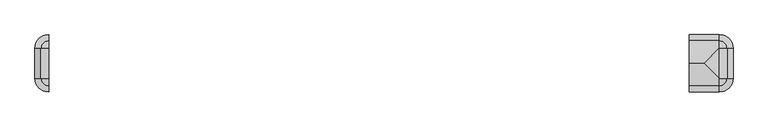
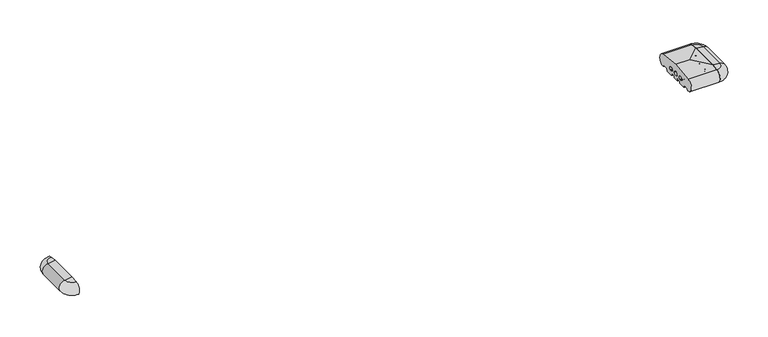
"""IFC4 building model written with IfcOpenShell, lengths in millimetres: proxy geometry."""

from ifc_helpers import new_model, si_unit, point, frame, origin, place, context, project, spatial, polyline, circle_curve, ellipse_curve, trimmed, source, transform, mapped, element, save
from ifc_brep_helpers import plane_surface, cylinder_surface, revolved_surface, advanced_brep


def generic_models_9a9f9188(model_context):
    return source(origin(), model_context, "Body", "AdvancedBrep", [
        advanced_brep(
        [(2378.0858073, 0.0, 50.4091909), (2350.0, 0.0, 53.7462575), (2350.0, -110.0, 53.7462575), (2378.0858073, -110.0, 50.4091909), (2350.0, 28.0858073, 50.4091909), (2350.0, 26.5981483, 2.5074549), (2350.0, 25.7072001, 3.0071443), (2350.0, 23.6905989, 6.5), (2350.0, 21.9585481, 7.5), (2350.0, 5.4848276, 7.5), (2350.0, 3.7527767, 6.5), (2350.0, 0.0, 0.0), (2350.0, -110.0, 0.0), (2350.0, -113.7527767, 6.5), (2350.0, -115.4848276, 7.5), (2350.0, -131.9585481, 7.5), (2350.0, -133.6905989, 6.5), (2350.0, -135.7072001, 3.0071443), (2350.0, -136.5981483, 2.5074549), (2350.0, -138.0858073, 50.4091909), (2353.7527767, 0.0, 6.5), (2353.7527767, -110.0, 6.5), (2355.4848276, 0.0, 7.5), (2355.4848276, -110.0, 7.5), (2371.9585481, 0.0, 7.5), (2371.9585481, -110.0, 7.5), (2373.6905989, 0.0, 6.5), (2373.6905989, -110.0, 6.5), (2375.7072001, 0.0, 3.0071443), (2375.7072001, -110.0, 3.0071443), (2376.5981483, 0.0, 2.5074549), (2376.5981483, -110.0, 2.5074549)],
        [
            (0, 1),
            (1, 2),
            (2, 3),
            (3, 0),
            (1, 4),
            (4, 5, circle_curve(frame((2350.0, 26.0, 26.5), z_axis=(-1.0, 0.0, 0.0), x_axis=(0.0, 1.0, 0.0)), 24.0)),
            (5, 6, circle_curve(frame((2350.0, 26.5732255, 3.5071443), z_axis=(-1.0, 0.0, 0.0), x_axis=(0.0, 1.0, 0.0)), 1.0)),
            (6, 7),
            (7, 8, circle_curve(frame((2350.0, 21.9585481, 5.5), z_axis=(1.0, 0.0, 0.0), x_axis=(0.0, 1.0, 0.0)), 2.0)),
            (8, 9),
            (9, 10, circle_curve(frame((2350.0, 5.4848276, 5.5), z_axis=(1.0, 0.0, 0.0), x_axis=(0.0, 1.0, 0.0)), 2.0)),
            (10, 11),
            (11, 12),
            (12, 13),
            (13, 14, circle_curve(frame((2350.0, -115.4848276, 5.5), z_axis=(1.0, 0.0, 0.0), x_axis=(0.0, -1.0, 0.0)), 2.0)),
            (14, 15),
            (15, 16, circle_curve(frame((2350.0, -131.9585481, 5.5), z_axis=(1.0, 0.0, 0.0), x_axis=(0.0, -1.0, 0.0)), 2.0)),
            (16, 17),
            (17, 18, circle_curve(frame((2350.0, -136.5732255, 3.5071443), z_axis=(-1.0, 0.0, 0.0), x_axis=(0.0, -1.0, 0.0)), 1.0)),
            (18, 19, circle_curve(frame((2350.0, -136.0, 26.5), z_axis=(-1.0, 0.0, 0.0), x_axis=(0.0, -1.0, 0.0)), 24.0)),
            (19, 2),
            (11, 20),
            (20, 21),
            (21, 12),
            (20, 22, circle_curve(frame((2355.4848276, 0.0, 5.5), z_axis=(0.0, 1.0, 0.0), x_axis=(1.0, 0.0, 0.0)), 2.0)),
            (22, 23),
            (23, 21, circle_curve(frame((2355.4848276, -110.0, 5.5), z_axis=(0.0, -1.0, 0.0), x_axis=(1.0, 0.0, 0.0)), 2.0)),
            (22, 9, circle_curve(frame((2350.0, 0.0, 7.5), z_axis=(0.0, 0.0, 1.0), x_axis=(1.0, 0.0, 0.0)), 5.4848276)),
            (8, 24, circle_curve(frame((2350.0, 0.0, 7.5), z_axis=(0.0, 0.0, -1.0), x_axis=(1.0, 0.0, 0.0)), 21.9585481)),
            (24, 25),
            (25, 15, circle_curve(frame((2350.0, -110.0, 7.5), z_axis=(0.0, 0.0, -1.0), x_axis=(1.0, 0.0, 0.0)), 21.9585481)),
            (14, 23, circle_curve(frame((2350.0, -110.0, 7.5), z_axis=(0.0, 0.0, 1.0), x_axis=(1.0, 0.0, 0.0)), 5.4848276)),
            (24, 26, circle_curve(frame((2371.9585481, 0.0, 5.5), z_axis=(0.0, 1.0, 0.0), x_axis=(1.0, 0.0, 0.0)), 2.0)),
            (26, 27),
            (27, 25, circle_curve(frame((2371.9585481, -110.0, 5.5), z_axis=(0.0, -1.0, 0.0), x_axis=(1.0, 0.0, 0.0)), 2.0)),
            (26, 28),
            (28, 29),
            (29, 27),
            (28, 30, circle_curve(frame((2376.5732255, 0.0, 3.5071443), z_axis=(0.0, -1.0, 0.0), x_axis=(1.0, 0.0, 0.0)), 1.0)),
            (30, 31),
            (31, 29, circle_curve(frame((2376.5732255, -110.0, 3.5071443), z_axis=(0.0, 1.0, 0.0), x_axis=(1.0, 0.0, 0.0)), 1.0)),
            (3, 31, circle_curve(frame((2376.0, -110.0, 26.5), z_axis=(0.0, 1.0, 0.0), x_axis=(1.0, 0.0, 0.0)), 24.0)),
            (30, 0, circle_curve(frame((2376.0, 0.0, 26.5), z_axis=(0.0, -1.0, 0.0), x_axis=(1.0, 0.0, 0.0)), 24.0)),
            (4, 0, circle_curve(frame((2350.0, 0.0, 50.4091909), z_axis=(0.0, 0.0, -1.0), x_axis=(1.0, 0.0, 0.0)), 28.0858073)),
            (30, 5, circle_curve(frame((2350.0, 0.0, 2.5074549), z_axis=(0.0, 0.0, 1.0), x_axis=(1.0, 0.0, 0.0)), 26.5981483)),
            (28, 6, circle_curve(frame((2350.0, 0.0, 3.0071443), z_axis=(0.0, 0.0, 1.0), x_axis=(1.0, 0.0, 0.0)), 25.7072001)),
            (26, 7, circle_curve(frame((2350.0, 0.0, 6.5), z_axis=(0.0, 0.0, 1.0), x_axis=(1.0, 0.0, 0.0)), 23.6905989)),
            (20, 10, circle_curve(frame((2350.0, 0.0, 6.5), z_axis=(0.0, 0.0, 1.0), x_axis=(1.0, 0.0, 0.0)), 3.7527767)),
            (18, 31, circle_curve(frame((2350.0, -110.0, 2.5074549), z_axis=(0.0, 0.0, 1.0), x_axis=(1.0, 0.0, 0.0)), 26.5981483)),
            (3, 19, circle_curve(frame((2350.0, -110.0, 50.4091909), z_axis=(0.0, 0.0, -1.0), x_axis=(1.0, 0.0, 0.0)), 28.0858073)),
            (17, 29, circle_curve(frame((2350.0, -110.0, 3.0071443), z_axis=(0.0, 0.0, 1.0), x_axis=(1.0, 0.0, 0.0)), 25.7072001)),
            (16, 27, circle_curve(frame((2350.0, -110.0, 6.5), z_axis=(0.0, 0.0, 1.0), x_axis=(1.0, 0.0, 0.0)), 23.6905989)),
            (13, 21, circle_curve(frame((2350.0, -110.0, 6.5), z_axis=(0.0, 0.0, 1.0), x_axis=(1.0, 0.0, 0.0)), 3.7527767)),
        ],
        [
            plane_surface(frame((2378.0858073, 0.0, 50.4091909), z_axis=(0.11798691299107415, 0.0, 0.9930151501174778), x_axis=(0.0, -1.0, 0.0))),
            plane_surface(frame((2350.0, 0.0, 53.7462575), z_axis=(-1.0, 0.0, 0.0), x_axis=(0.0, -1.0, 0.0))),
            plane_surface(frame((2350.0, 0.0, 0.0), z_axis=(0.8660254037844363, 0.0, -0.5000000000000042), x_axis=(0.0, -1.0, 0.0))),
            revolved_surface(polyline([(2357.4848276, -110.0, 5.5), (2357.4848276, 0.0, 5.5)]), (2355.4848276, 0.0, 5.5), (0.0, -1.0, 0.0)),
            plane_surface(frame((2355.4848276, 0.0, 7.5), z_axis=(0.0, 0.0, -1.0), x_axis=(0.0, -1.0, 0.0))),
            revolved_surface(polyline([(2373.9585481, -110.0, 5.5), (2373.9585481, 0.0, 5.5)]), (2371.9585481, 0.0, 5.5), (0.0, -1.0, 0.0)),
            plane_surface(frame((2373.6905989, 0.0, 6.5), z_axis=(-0.8660254037844392, 0.0, -0.4999999999999992), x_axis=(0.0, -1.0, 0.0))),
            cylinder_surface(frame((2376.5732255, 0.0, 3.5071443), z_axis=(0.0, 1.0, 0.0), x_axis=(1.0, 0.0, 0.0)), 1.0),
            cylinder_surface(frame((2376.0, 0.0, 26.5), z_axis=(0.0, 1.0, 0.0), x_axis=(1.0, 0.0, 0.0)), 24.0),
            revolved_surface(trimmed(ellipse_curve(frame((2376.0, 0.0, 26.5), z_axis=(0.0, -1.0, 0.0), x_axis=(1.0, 0.0, 0.0)), 24.0, 24.0), [point((2376.5981483, 0.0, 2.5074549))], [point((2378.0858073, 0.0, 50.4091909))], True, "CARTESIAN"), (2350.0, 0.0, 0.0), (0.0, 0.0, 1.0)),
            revolved_surface(trimmed(ellipse_curve(frame((2376.5732255, 0.0, 3.5071443), z_axis=(0.0, -1.0, 0.0), x_axis=(1.0, 0.0, 0.0)), 1.0, 1.0), [point((2375.7072001, 0.0, 3.0071443))], [point((2376.5981483, 0.0, 2.5074549))], True, "CARTESIAN"), (2350.0, 0.0, 0.0), (0.0, 0.0, 1.0)),
            revolved_surface(polyline([(2373.6905989, 0.0, 6.5), (2375.7072001, 0.0, 3.0071443)]), (2350.0, 0.0, 0.0), (0.0, 0.0, 1.0)),
            revolved_surface(trimmed(ellipse_curve(frame((2371.9585481, 0.0, 5.5), z_axis=(0.0, 1.0, 0.0), x_axis=(1.0, 0.0, 0.0)), 2.0, 2.0), [point((2371.9585481, 0.0, 7.5))], [point((2373.6905989, 0.0, 6.5))], True, "CARTESIAN"), (2350.0, 0.0, 0.0), (0.0, 0.0, 1.0)),
            revolved_surface(trimmed(ellipse_curve(frame((2355.4848276, 0.0, 5.5), z_axis=(0.0, 1.0, 0.0), x_axis=(1.0, 0.0, 0.0)), 2.0, 2.0), [point((2353.7527767, 0.0, 6.5))], [point((2355.4848276, 0.0, 7.5))], True, "CARTESIAN"), (2350.0, 0.0, 0.0), (0.0, 0.0, 1.0)),
            revolved_surface(polyline([(2350.0, 0.0, 0.0), (2353.7527767, 0.0, 6.5)]), (2350.0, 0.0, 0.0), (0.0, 0.0, 1.0)),
            revolved_surface(polyline([(2378.0858073, 0.0, 50.4091909), (2350.0, 0.0, 53.7462575)]), (2350.0, 0.0, 0.0), (0.0, 0.0, 1.0)),
            revolved_surface(trimmed(ellipse_curve(frame((2376.0, -110.0, 26.5), z_axis=(0.0, 1.0, 0.0), x_axis=(1.0, 0.0, 0.0)), 24.0, 24.0), [point((2378.0858073, -110.0, 50.4091909))], [point((2376.5981483, -110.0, 2.5074549))], True, "CARTESIAN"), (2350.0, -110.0, 0.0), (0.0, 0.0, -1.0)),
            revolved_surface(trimmed(ellipse_curve(frame((2376.5732255, -110.0, 3.5071443), z_axis=(0.0, 1.0, 0.0), x_axis=(1.0, 0.0, 0.0)), 1.0, 1.0), [point((2376.5981483, -110.0, 2.5074549))], [point((2375.7072001, -110.0, 3.0071443))], True, "CARTESIAN"), (2350.0, -110.0, 0.0), (0.0, 0.0, -1.0)),
            revolved_surface(polyline([(2375.7072001, -110.0, 3.0071443), (2373.6905989, -110.0, 6.5)]), (2350.0, -110.0, 0.0), (0.0, 0.0, -1.0)),
            revolved_surface(trimmed(ellipse_curve(frame((2371.9585481, -110.0, 5.5), z_axis=(0.0, -1.0, 0.0), x_axis=(1.0, 0.0, 0.0)), 2.0, 2.0), [point((2373.6905989, -110.0, 6.5))], [point((2371.9585481, -110.0, 7.5))], True, "CARTESIAN"), (2350.0, -110.0, 0.0), (0.0, 0.0, -1.0)),
            revolved_surface(trimmed(ellipse_curve(frame((2355.4848276, -110.0, 5.5), z_axis=(0.0, -1.0, 0.0), x_axis=(1.0, 0.0, 0.0)), 2.0, 2.0), [point((2355.4848276, -110.0, 7.5))], [point((2353.7527767, -110.0, 6.5))], True, "CARTESIAN"), (2350.0, -110.0, 0.0), (0.0, 0.0, -1.0)),
            revolved_surface(polyline([(2353.7527767, -110.0, 6.5), (2350.0, -110.0, 0.0)]), (2350.0, -110.0, 0.0), (0.0, 0.0, -1.0)),
            revolved_surface(polyline([(2350.0, -110.0, 53.7462575), (2378.0858073, -110.0, 50.4091909)]), (2350.0, -110.0, 0.0), (0.0, 0.0, -1.0)),
        ],
        [
            (0, [[1, 2, 3, 4]]),
            (1, [[5, 6, 7, 8, 9, 10, 11, 12, 13, 14, 15, 16, 17, 18, 19, 20, 21, -2]]),
            (2, [[22, 23, 24, -13]]),
            (3, [[25, 26, 27, -23]]),
            (4, [[28, -10, 29, 30, 31, -16, 32, -26]]),
            (5, [[33, 34, 35, -30]]),
            (6, [[36, 37, 38, -34]]),
            (7, [[39, 40, 41, -37]]),
            (8, [[42, -40, 43, -4]]),
            (9, [[44, -43, 45, -6]]),
            (10, [[-45, -39, 46, -7]]),
            (11, [[-46, -36, 47, -8]]),
            (12, [[-47, -33, -29, -9]]),
            (13, [[-28, -25, 48, -11]]),
            (14, [[-48, -22, -12]]),
            (15, [[-1, -44, -5]]),
            (16, [[49, -42, 50, -20]]),
            (17, [[51, -41, -49, -19]]),
            (18, [[52, -38, -51, -18]]),
            (19, [[-31, -35, -52, -17]]),
            (20, [[53, -27, -32, -15]]),
            (21, [[-24, -53, -14]]),
            (22, [[-50, -3, -21]]),
        ],
    ),
        advanced_brep(
        [(2350.0, -136.5981483, 2.5074549), (2350.0, -135.7072001, 3.0071443), (2350.0, -133.6905989, 6.5), (2350.0, -131.9585481, 7.5), (2350.0, -115.4848276, 7.5), (2350.0, -113.7527767, 6.5), (2350.0, -110.2886751, 0.5), (2350.0, -109.4226497, 0.0), (2350.0, -83.0, 0.0), (2350.0, -82.0, 1.0), (2350.0, -82.0, 7.0), (2350.0, -80.0, 9.0), (2350.0, -67.0, 9.0), (2350.0, -65.0, 7.0), (2350.0, -65.0, 1.0), (2350.0, -64.0, 0.0), (2350.0, -46.0, 0.0), (2350.0, -45.0, 1.0), (2350.0, -45.0, 7.0), (2350.0, -43.0, 9.0), (2350.0, -30.0, 9.0), (2350.0, -28.0, 7.0), (2350.0, -28.0, 1.0), (2350.0, -27.0, 0.0), (2350.0, -0.5773503, 0.0), (2350.0, 0.2886751, 0.5), (2350.0, 3.7527767, 6.5), (2350.0, 5.4848276, 7.5), (2350.0, 21.9585481, 7.5), (2350.0, 23.6905989, 6.5), (2350.0, 25.7072001, 3.0071443), (2350.0, 26.5981483, 2.5074549), (2350.0, 28.0858073, 50.4091909), (2350.0, 0.3340136, 53.7462575), (2350.0, -110.3340136, 53.7462575), (2350.0, -138.0858073, 50.4091909), (2350.0, -84.3659949, 17.8353497), (2350.0, -87.6340051, 17.8353497), (2350.0, -87.6340051, 29.8353497), (2350.0, -84.3659949, 29.8353497), (2350.0, -62.9623451, 23.8353497), (2350.0, -47.0376549, 23.8353497), (2350.0, -25.6340051, 17.8353497), (2350.0, -25.6340051, 29.8353497), (2350.0, -22.3659949, 29.8353497), (2350.0, -22.3659949, 17.8353497), (2240.0, -136.5981483, 2.5074549), (2240.0, -138.0858073, 50.4091909), (2240.0, -55.0, 60.4), (2240.0, 28.0858073, 50.4091909), (2240.0, 26.5981483, 2.5074549), (2240.0, 25.7072001, 3.0071443), (2240.0, 23.6905989, 6.5), (2240.0, 21.9585481, 7.5), (2240.0, 5.4848276, 7.5), (2240.0, 3.7527767, 6.5), (2240.0, 0.2886751, 0.5), (2240.0, -0.5773503, 0.0), (2240.0, -27.0, 0.0), (2240.0, -28.0, 1.0), (2240.0, -28.0, 7.0), (2240.0, -30.0, 9.0), (2240.0, -43.0, 9.0), (2240.0, -45.0, 7.0), (2240.0, -45.0, 1.0), (2240.0, -46.0, 0.0), (2240.0, -64.0, 0.0), (2240.0, -65.0, 1.0), (2240.0, -65.0, 7.0), (2240.0, -67.0, 9.0), (2240.0, -80.0, 9.0), (2240.0, -82.0, 7.0), (2240.0, -82.0, 1.0), (2240.0, -83.0, 0.0), (2240.0, -109.4226497, 0.0), (2240.0, -110.2886751, 0.5), (2240.0, -113.7527767, 6.5), (2240.0, -115.4848276, 7.5), (2240.0, -131.9585481, 7.5), (2240.0, -133.6905989, 6.5), (2240.0, -135.7072001, 3.0071443), (2240.0, -84.3659949, 17.8353497), (2240.0, -84.3659949, 29.8353497), (2240.0, -87.6340051, 29.8353497), (2240.0, -87.6340051, 17.8353497), (2240.0, -62.9623451, 23.8353497), (2240.0, -47.0376549, 23.8353497), (2240.0, -25.6340051, 17.8353497), (2240.0, -22.3659949, 17.8353497), (2240.0, -22.3659949, 29.8353497), (2240.0, -25.6340051, 29.8353497), (2294.0, -55.0, 60.4)],
        [
            (0, 1, circle_curve(frame((2350.0, -136.5732255, 3.5071443), z_axis=(1.0, 0.0, 0.0), x_axis=(0.0, -0.024922847684081085, -0.999689377588517)), 1.0)),
            (1, 2),
            (2, 3, circle_curve(frame((2350.0, -131.9585481, 5.5), z_axis=(-1.0, 0.0, 0.0), x_axis=(0.0, -0.8660254037844379, 0.5000000000000012)), 2.0)),
            (3, 4),
            (4, 5, circle_curve(frame((2350.0, -115.4848276, 5.5), z_axis=(-1.0, 0.0, 0.0), x_axis=(0.0, 0.0, 1.0)), 2.0)),
            (5, 6),
            (6, 7, circle_curve(frame((2350.0, -109.4226497, 1.0), z_axis=(1.0, 0.0, 0.0), x_axis=(0.0, -0.8660254037844339, -0.5000000000000082)), 1.0)),
            (7, 8),
            (8, 9, circle_curve(frame((2350.0, -83.0, 1.0), z_axis=(1.0, 0.0, 0.0), x_axis=(0.0, 0.0, -1.0)), 1.0)),
            (9, 10),
            (10, 11, circle_curve(frame((2350.0, -80.0, 7.0), z_axis=(-1.0, 0.0, 0.0), x_axis=(0.0, -1.0, 0.0)), 2.0)),
            (11, 12),
            (12, 13, circle_curve(frame((2350.0, -67.0, 7.0), z_axis=(-1.0, 0.0, 0.0), x_axis=(0.0, 0.0, 1.0)), 2.0)),
            (13, 14),
            (14, 15, circle_curve(frame((2350.0, -64.0, 1.0), z_axis=(1.0, 0.0, 0.0), x_axis=(0.0, -1.0, 0.0)), 1.0)),
            (15, 16),
            (16, 17, circle_curve(frame((2350.0, -46.0, 1.0), z_axis=(1.0, 0.0, 0.0), x_axis=(0.0, 1.0, 0.0)), 1.0)),
            (17, 18),
            (18, 19, circle_curve(frame((2350.0, -43.0, 7.0), z_axis=(-1.0, 0.0, 0.0), x_axis=(0.0, 0.0, 1.0)), 2.0)),
            (19, 20),
            (20, 21, circle_curve(frame((2350.0, -30.0, 7.0), z_axis=(-1.0, 0.0, 0.0), x_axis=(0.0, 1.0, 0.0)), 2.0)),
            (21, 22),
            (22, 23, circle_curve(frame((2350.0, -27.0, 1.0), z_axis=(1.0, 0.0, 0.0), x_axis=(0.0, 0.0, -1.0)), 1.0)),
            (23, 24),
            (24, 25, circle_curve(frame((2350.0, -0.5773503, 1.0), z_axis=(1.0, 0.0, 0.0), x_axis=(0.0, 0.8660254037844339, -0.5000000000000082)), 1.0)),
            (25, 26),
            (26, 27, circle_curve(frame((2350.0, 5.4848276, 5.5), z_axis=(-1.0, 0.0, 0.0), x_axis=(0.0, 0.0, 1.0)), 2.0)),
            (27, 28),
            (28, 29, circle_curve(frame((2350.0, 21.9585481, 5.5), z_axis=(-1.0, 0.0, 0.0), x_axis=(0.0, 0.8660254037844379, 0.5000000000000012)), 2.0)),
            (29, 30),
            (30, 31, circle_curve(frame((2350.0, 26.5732255, 3.5071443), z_axis=(1.0, 0.0, 0.0), x_axis=(0.0, 0.024922847684081085, -0.999689377588517)), 1.0)),
            (31, 32, circle_curve(frame((2350.0, 26.0, 26.5), z_axis=(1.0, 0.0, 0.0), x_axis=(0.0, 0.08690863944627836, 0.9962162859487877)), 24.0)),
            (32, 33),
            (33, 34),
            (34, 35),
            (35, 0, circle_curve(frame((2350.0, -136.0, 26.5), z_axis=(1.0, 0.0, 0.0), x_axis=(0.0, -0.08690863944627836, 0.9962162859487877)), 24.0)),
            (36, 37),
            (37, 38, circle_curve(frame((2350.0, -88.0037949, 23.8353497), z_axis=(-1.0, 0.0, 0.0), x_axis=(0.0, 0.061514911664663253, -0.9981061645150223)), 6.0113846)),
            (38, 39),
            (39, 36, circle_curve(frame((2350.0, -83.9962051, 23.8353497), z_axis=(-1.0, 0.0, 0.0), x_axis=(0.0, -0.061514911664729485, 0.9981061645150182)), 6.0113846)),
            (40, 41, circle_curve(frame((2350.0, -55.0, 23.8353497), z_axis=(-1.0, 0.0, 0.0), x_axis=(0.0, 1.0, 0.0)), 7.9623451)),
            (41, 40, circle_curve(frame((2350.0, -55.0, 23.8353497), z_axis=(-1.0, 0.0, 0.0), x_axis=(0.0, 1.0, 0.0)), 7.9623451)),
            (42, 43, circle_curve(frame((2350.0, -26.0037949, 23.8353497), z_axis=(-1.0, 0.0, 0.0), x_axis=(0.0, 0.061514911664729485, 0.9981061645150182)), 6.0113846)),
            (43, 44),
            (44, 45, circle_curve(frame((2350.0, -21.9962051, 23.8353497), z_axis=(-1.0, 0.0, 0.0), x_axis=(0.0, -0.061514911664663253, -0.9981061645150223)), 6.0113846)),
            (45, 42),
            (46, 47, circle_curve(frame((2240.0, -136.0, 26.5), z_axis=(-1.0, 0.0, 0.0), x_axis=(0.0, -0.08690863944627836, 0.9962162859487877)), 24.0)),
            (47, 48),
            (48, 49),
            (49, 50, circle_curve(frame((2240.0, 26.0, 26.5), z_axis=(-1.0, 0.0, 0.0), x_axis=(0.0, 0.08690863944627836, 0.9962162859487877)), 24.0)),
            (50, 51, circle_curve(frame((2240.0, 26.5732255, 3.5071443), z_axis=(-1.0, 0.0, 0.0), x_axis=(0.0, 0.024922847684081085, -0.999689377588517)), 1.0)),
            (51, 52),
            (52, 53, circle_curve(frame((2240.0, 21.9585481, 5.5), z_axis=(1.0, 0.0, 0.0), x_axis=(0.0, 0.8660254037844379, 0.5000000000000012)), 2.0)),
            (53, 54),
            (54, 55, circle_curve(frame((2240.0, 5.4848276, 5.5), z_axis=(1.0, 0.0, 0.0), x_axis=(0.0, 0.0, 1.0)), 2.0)),
            (55, 56),
            (56, 57, circle_curve(frame((2240.0, -0.5773503, 1.0), z_axis=(-1.0, 0.0, 0.0), x_axis=(0.0, 0.8660254037844339, -0.5000000000000082)), 1.0)),
            (57, 58),
            (58, 59, circle_curve(frame((2240.0, -27.0, 1.0), z_axis=(-1.0, 0.0, 0.0), x_axis=(0.0, 0.0, -1.0)), 1.0)),
            (59, 60),
            (60, 61, circle_curve(frame((2240.0, -30.0, 7.0), z_axis=(1.0, 0.0, 0.0), x_axis=(0.0, 1.0, 0.0)), 2.0)),
            (61, 62),
            (62, 63, circle_curve(frame((2240.0, -43.0, 7.0), z_axis=(1.0, 0.0, 0.0), x_axis=(0.0, 0.0, 1.0)), 2.0)),
            (63, 64),
            (64, 65, circle_curve(frame((2240.0, -46.0, 1.0), z_axis=(-1.0, 0.0, 0.0), x_axis=(0.0, 1.0, 0.0)), 1.0)),
            (65, 66),
            (66, 67, circle_curve(frame((2240.0, -64.0, 1.0), z_axis=(-1.0, 0.0, 0.0), x_axis=(0.0, -1.0, 0.0)), 1.0)),
            (67, 68),
            (68, 69, circle_curve(frame((2240.0, -67.0, 7.0), z_axis=(1.0, 0.0, 0.0), x_axis=(0.0, 0.0, 1.0)), 2.0)),
            (69, 70),
            (70, 71, circle_curve(frame((2240.0, -80.0, 7.0), z_axis=(1.0, 0.0, 0.0), x_axis=(0.0, -1.0, 0.0)), 2.0)),
            (71, 72),
            (72, 73, circle_curve(frame((2240.0, -83.0, 1.0), z_axis=(-1.0, 0.0, 0.0), x_axis=(0.0, 0.0, -1.0)), 1.0)),
            (73, 74),
            (74, 75, circle_curve(frame((2240.0, -109.4226497, 1.0), z_axis=(-1.0, 0.0, 0.0), x_axis=(0.0, -0.8660254037844339, -0.5000000000000082)), 1.0)),
            (75, 76),
            (76, 77, circle_curve(frame((2240.0, -115.4848276, 5.5), z_axis=(1.0, 0.0, 0.0), x_axis=(0.0, 0.0, 1.0)), 2.0)),
            (77, 78),
            (78, 79, circle_curve(frame((2240.0, -131.9585481, 5.5), z_axis=(1.0, 0.0, 0.0), x_axis=(0.0, -0.8660254037844379, 0.5000000000000012)), 2.0)),
            (79, 80),
            (80, 46, circle_curve(frame((2240.0, -136.5732255, 3.5071443), z_axis=(-1.0, 0.0, 0.0), x_axis=(0.0, -0.024922847684081085, -0.999689377588517)), 1.0)),
            (81, 82, circle_curve(frame((2240.0, -83.9962051, 23.8353497), z_axis=(1.0, 0.0, 0.0), x_axis=(0.0, -0.061514911664729485, 0.9981061645150182)), 6.0113846)),
            (82, 83),
            (83, 84, circle_curve(frame((2240.0, -88.0037949, 23.8353497), z_axis=(1.0, 0.0, 0.0), x_axis=(0.0, 0.061514911664663253, -0.9981061645150223)), 6.0113846)),
            (84, 81),
            (85, 86, circle_curve(frame((2240.0, -55.0, 23.8353497), z_axis=(1.0, 0.0, 0.0), x_axis=(0.0, 1.0, 0.0)), 7.9623451)),
            (86, 85, circle_curve(frame((2240.0, -55.0, 23.8353497), z_axis=(1.0, 0.0, 0.0), x_axis=(0.0, 1.0, 0.0)), 7.9623451)),
            (87, 88),
            (88, 89, circle_curve(frame((2240.0, -21.9962051, 23.8353497), z_axis=(1.0, 0.0, 0.0), x_axis=(0.0, -0.061514911664663253, -0.9981061645150223)), 6.0113846)),
            (89, 90),
            (90, 87, circle_curve(frame((2240.0, -26.0037949, 23.8353497), z_axis=(1.0, 0.0, 0.0), x_axis=(0.0, 0.061514911664729485, 0.9981061645150182)), 6.0113846)),
            (15, 66),
            (65, 16),
            (14, 67),
            (13, 68),
            (12, 69),
            (11, 70),
            (10, 71),
            (9, 72),
            (8, 73),
            (7, 74),
            (6, 75),
            (5, 76),
            (4, 77),
            (3, 78),
            (2, 79),
            (1, 80),
            (0, 46),
            (35, 47),
            (34, 91),
            (91, 48),
            (39, 82),
            (81, 36),
            (38, 83),
            (37, 84),
            (41, 86),
            (85, 40),
            (33, 91),
            (32, 49),
            (31, 50),
            (30, 51),
            (29, 52),
            (28, 53),
            (27, 54),
            (26, 55),
            (25, 56),
            (24, 57),
            (23, 58),
            (22, 59),
            (21, 60),
            (20, 61),
            (19, 62),
            (18, 63),
            (17, 64),
            (45, 88),
            (87, 42),
            (44, 89),
            (43, 90),
        ],
        [
            plane_surface(frame((2350.0, 0.0, 0.0), z_axis=(1.0, 0.0, 0.0), x_axis=(0.0, 0.0, 1.0))),
            plane_surface(frame((2240.0, 0.0, 0.0), z_axis=(-1.0, 0.0, 0.0), x_axis=(0.0, 0.0, 1.0))),
            plane_surface(frame((2350.0, -55.0, 0.0), z_axis=(0.0, 0.0, -1.0), x_axis=(-1.0, 0.0, 0.0))),
            cylinder_surface(frame((2350.0, -64.0, 1.0), z_axis=(1.0, 0.0, 0.0), x_axis=(0.0, -1.0, 0.0)), 1.0),
            plane_surface(frame((2350.0, -65.0, 1.0), z_axis=(0.0, -1.0, 0.0), x_axis=(-1.0, 0.0, 0.0))),
            revolved_surface(polyline([(2240.0, -67.0, 9.0), (2350.0, -67.0, 9.0)]), (2350.0, -67.0, 7.0), (-1.0, 0.0, 0.0)),
            plane_surface(frame((2350.0, -67.0, 9.0), z_axis=(0.0, 0.0, -1.0), x_axis=(-1.0, 0.0, 0.0))),
            revolved_surface(polyline([(2240.0, -82.0, 7.0), (2350.0, -82.0, 7.0)]), (2350.0, -80.0, 7.0), (-1.0, 0.0, 0.0)),
            plane_surface(frame((2350.0, -82.0, 7.0), z_axis=(0.0, 1.0, 0.0), x_axis=(-1.0, 0.0, 0.0))),
            cylinder_surface(frame((2350.0, -83.0, 1.0), z_axis=(1.0, 0.0, 0.0), x_axis=(0.0, 0.0, -1.0)), 1.0),
            plane_surface(frame((2350.0, -83.0, 0.0), z_axis=(0.0, 0.0, -1.0), x_axis=(-1.0, 0.0, 0.0))),
            cylinder_surface(frame((2350.0, -109.4226497, 1.0), z_axis=(1.0, 0.0, 0.0), x_axis=(0.0, -0.8660254037844339, -0.5000000000000082)), 1.0),
            plane_surface(frame((2350.0, -110.2886751, 0.5), z_axis=(0.0, -0.8660254037844349, -0.5000000000000064), x_axis=(-1.0, 0.0, 0.0))),
            revolved_surface(polyline([(2240.0, -115.4848276, 7.5), (2350.0, -115.4848276, 7.5)]), (2350.0, -115.4848276, 5.5), (-1.0, 0.0, 0.0)),
            plane_surface(frame((2350.0, -115.4848276, 7.5), z_axis=(0.0, 0.0, -1.0), x_axis=(-1.0, 0.0, 0.0))),
            revolved_surface(polyline([(2240.0, -133.69059890756887, 6.500000000000003), (2350.0, -133.69059890756887, 6.500000000000003)]), (2350.0, -131.9585481, 5.5), (-1.0, 0.0, 0.0)),
            plane_surface(frame((2350.0, -133.6905989, 6.5), z_axis=(0.0, 0.8660254037844368, -0.5000000000000032), x_axis=(-1.0, 0.0, 0.0))),
            cylinder_surface(frame((2350.0, -136.5732255, 3.5071443), z_axis=(1.0000000000000002, 0.0, 0.0), x_axis=(0.0, -0.024922847684081085, -0.999689377588517)), 1.0),
            cylinder_surface(frame((2350.0, -136.0, 26.5), z_axis=(1.0, 0.0, 0.0), x_axis=(0.0, -0.08690863944627836, 0.9962162859487877)), 24.0),
            plane_surface(frame((2350.0, -138.0858073, 50.4091909), z_axis=(0.0, -0.11938685218914781, 0.9928478128718251), x_axis=(-1.0, 0.0, 0.0))),
            revolved_surface(polyline([(2240.0, -84.36599489265171, 29.835349726530644), (2350.0, -84.36599489265171, 29.835349726530644)]), (2350.0, -83.9962051, 23.8353497), (-1.0, 0.0, 0.0)),
            plane_surface(frame((2350.0, -84.3659949, 29.8353497), z_axis=(0.0, 0.0, -1.0), x_axis=(-1.0, 0.0, 0.0))),
            revolved_surface(polyline([(2240.0, -87.63400510734868, 17.835349673469327), (2350.0, -87.63400510734868, 17.835349673469327)]), (2350.0, -88.0037949, 23.8353497), (-1.0000000000000002, 0.0, 0.0)),
            plane_surface(frame((2350.0, -87.6340051, 17.8353497), z_axis=(0.0, 0.0, 1.0), x_axis=(-1.0, 0.0, 0.0))),
            revolved_surface(polyline([(2240.0, -47.0376549, 23.8353497), (2350.0, -47.0376549, 23.8353497)]), (2350.0, -55.0, 23.8353497), (-1.0, 0.0, 0.0)),
            plane_surface(frame((2414.9291446, -250.0, 46.0315823), z_axis=(0.11798691299107414, 0.0, 0.9930151501174778), x_axis=(0.0, 1.0, 0.0))),
            plane_surface(frame((2350.0, -55.0, 60.4), z_axis=(0.0, 0.11938685218914852, 0.992847812871825), x_axis=(-1.0, 0.0, 0.0))),
            cylinder_surface(frame((2350.0, 26.0, 26.5), z_axis=(1.0, 0.0, 0.0), x_axis=(0.0, 0.08690863944627836, 0.9962162859487877)), 24.0),
            cylinder_surface(frame((2350.0, 26.5732255, 3.5071443), z_axis=(1.0000000000000002, 0.0, 0.0), x_axis=(0.0, 0.024922847684081085, -0.999689377588517)), 1.0),
            plane_surface(frame((2350.0, 25.7072001, 3.0071443), z_axis=(0.0, -0.8660254037844368, -0.5000000000000032), x_axis=(-1.0, 0.0, 0.0))),
            revolved_surface(polyline([(2240.0, 23.690598907568877, 6.500000000000003), (2350.0, 23.690598907568877, 6.500000000000003)]), (2350.0, 21.9585481, 5.5), (-1.0, 0.0, 0.0)),
            plane_surface(frame((2350.0, 21.9585481, 7.5), z_axis=(0.0, 0.0, -1.0), x_axis=(-1.0, 0.0, 0.0))),
            revolved_surface(polyline([(2240.0, 5.4848276, 7.5), (2350.0, 5.4848276, 7.5)]), (2350.0, 5.4848276, 5.5), (-1.0, 0.0, 0.0)),
            plane_surface(frame((2350.0, 3.7527767, 6.5), z_axis=(0.0, 0.8660254037844349, -0.5000000000000064), x_axis=(-1.0, 0.0, 0.0))),
            cylinder_surface(frame((2350.0, -0.5773503, 1.0), z_axis=(1.0, 0.0, 0.0), x_axis=(0.0, 0.8660254037844339, -0.5000000000000082)), 1.0),
            plane_surface(frame((2350.0, -0.5773503, 0.0), z_axis=(0.0, 0.0, -1.0), x_axis=(-1.0, 0.0, 0.0))),
            cylinder_surface(frame((2350.0, -27.0, 1.0), z_axis=(1.0, 0.0, 0.0), x_axis=(0.0, 0.0, -1.0)), 1.0),
            plane_surface(frame((2350.0, -28.0, 1.0), z_axis=(0.0, -1.0, 0.0), x_axis=(-1.0, 0.0, 0.0))),
            revolved_surface(polyline([(2240.0, -28.0, 7.0), (2350.0, -28.0, 7.0)]), (2350.0, -30.0, 7.0), (-1.0, 0.0, 0.0)),
            plane_surface(frame((2350.0, -30.0, 9.0), z_axis=(0.0, 0.0, -1.0), x_axis=(-1.0, 0.0, 0.0))),
            revolved_surface(polyline([(2240.0, -43.0, 9.0), (2350.0, -43.0, 9.0)]), (2350.0, -43.0, 7.0), (-1.0, 0.0, 0.0)),
            plane_surface(frame((2350.0, -45.0, 7.0), z_axis=(0.0, 1.0, 0.0), x_axis=(-1.0, 0.0, 0.0))),
            cylinder_surface(frame((2350.0, -46.0, 1.0), z_axis=(1.0, 0.0, 0.0), x_axis=(0.0, 1.0, 0.0)), 1.0),
            plane_surface(frame((2350.0, -25.6340051, 17.8353497), z_axis=(0.0, 0.0, 1.0), x_axis=(-1.0, 0.0, 0.0))),
            revolved_surface(polyline([(2240.0, -22.36599489265132, 17.835349673469327), (2350.0, -22.36599489265132, 17.835349673469327)]), (2350.0, -21.9962051, 23.8353497), (-1.0000000000000002, 0.0, 0.0)),
            plane_surface(frame((2350.0, -22.3659949, 29.8353497), z_axis=(0.0, 0.0, -1.0), x_axis=(-1.0, 0.0, 0.0))),
            revolved_surface(polyline([(2240.0, -25.634005107348283, 29.835349726530644), (2350.0, -25.634005107348283, 29.835349726530644)]), (2350.0, -26.0037949, 23.8353497), (-1.0, 0.0, 0.0)),
        ],
        [
            (0, [[1, 2, 3, 4, 5, 6, 7, 8, 9, 10, 11, 12, 13, 14, 15, 16, 17, 18, 19, 20, 21, 22, 23, 24, 25, 26, 27, 28, 29, 30, 31, 32, 33, 34, 35, 36], [37, 38, 39, 40], [41, 42], [43, 44, 45, 46]]),
            (1, [[47, 48, 49, 50, 51, 52, 53, 54, 55, 56, 57, 58, 59, 60, 61, 62, 63, 64, 65, 66, 67, 68, 69, 70, 71, 72, 73, 74, 75, 76, 77, 78, 79, 80, 81], [82, 83, 84, 85], [86, 87], [88, 89, 90, 91]]),
            (2, [[92, -66, 93, -16]]),
            (3, [[94, -67, -92, -15]]),
            (4, [[95, -68, -94, -14]]),
            (5, [[96, -69, -95, -13]]),
            (6, [[97, -70, -96, -12]]),
            (7, [[98, -71, -97, -11]]),
            (8, [[99, -72, -98, -10]]),
            (9, [[100, -73, -99, -9]]),
            (10, [[101, -74, -100, -8]]),
            (11, [[102, -75, -101, -7]]),
            (12, [[103, -76, -102, -6]]),
            (13, [[104, -77, -103, -5]]),
            (14, [[105, -78, -104, -4]]),
            (15, [[106, -79, -105, -3]]),
            (16, [[107, -80, -106, -2]]),
            (17, [[108, -81, -107, -1]]),
            (18, [[109, -47, -108, -36]]),
            (19, [[-109, -35, 110, 111, -48]]),
            (20, [[112, -82, 113, -40]]),
            (21, [[114, -83, -112, -39]]),
            (22, [[115, -84, -114, -38]]),
            (23, [[-113, -85, -115, -37]]),
            (24, [[116, -86, 117, -42]]),
            (24, [[-117, -87, -116, -41]]),
            (25, [[118, -110, -34]]),
            (26, [[-111, -118, -33, 119, -49]]),
            (27, [[120, -50, -119, -32]]),
            (28, [[121, -51, -120, -31]]),
            (29, [[122, -52, -121, -30]]),
            (30, [[123, -53, -122, -29]]),
            (31, [[124, -54, -123, -28]]),
            (32, [[125, -55, -124, -27]]),
            (33, [[126, -56, -125, -26]]),
            (34, [[127, -57, -126, -25]]),
            (35, [[128, -58, -127, -24]]),
            (36, [[129, -59, -128, -23]]),
            (37, [[130, -60, -129, -22]]),
            (38, [[131, -61, -130, -21]]),
            (39, [[132, -62, -131, -20]]),
            (40, [[133, -63, -132, -19]]),
            (41, [[134, -64, -133, -18]]),
            (42, [[-93, -65, -134, -17]]),
            (43, [[135, -88, 136, -46]]),
            (44, [[137, -89, -135, -45]]),
            (45, [[138, -90, -137, -44]]),
            (46, [[-136, -91, -138, -43]]),
        ],
    ),
        advanced_brep(
        [(-138.0858073, 0.0, 50.4091909), (-138.0858073, -110.0, 50.4091909), (-110.0, -110.0, 53.7462575), (-110.0, 0.0, 53.7462575), (-110.0, -138.0858073, 50.4091909), (-110.0, -136.5981483, 2.5074549), (-110.0, -135.7072001, 3.0071443), (-110.0, -133.6905989, 6.5), (-110.0, -131.9585481, 7.5), (-110.0, -115.4848276, 7.5), (-110.0, -113.7527767, 6.5), (-110.0, -110.0, 0.0), (-110.0, 0.0, 0.0), (-110.0, 3.7527767, 6.5), (-110.0, 5.4848276, 7.5), (-110.0, 21.9585481, 7.5), (-110.0, 23.6905989, 6.5), (-110.0, 25.7072001, 3.0071443), (-110.0, 26.5981483, 2.5074549), (-110.0, 28.0858073, 50.4091909), (-113.7527767, -110.0, 6.5), (-113.7527767, 0.0, 6.5), (-115.4848276, -110.0, 7.5), (-115.4848276, 0.0, 7.5), (-131.9585481, -110.0, 7.5), (-131.9585481, 0.0, 7.5), (-133.6905989, -110.0, 6.5), (-133.6905989, 0.0, 6.5), (-135.7072001, -110.0, 3.0071443), (-135.7072001, 0.0, 3.0071443), (-136.5981483, -110.0, 2.5074549), (-136.5981483, 0.0, 2.5074549)],
        [
            (0, 1),
            (1, 2),
            (2, 3),
            (3, 0),
            (2, 4),
            (4, 5, circle_curve(frame((-110.0, -136.0, 26.5), z_axis=(1.0, 0.0, 0.0), x_axis=(0.0, -1.0, 0.0)), 24.0)),
            (5, 6, circle_curve(frame((-110.0, -136.5732255, 3.5071443), z_axis=(1.0, 0.0, 0.0), x_axis=(0.0, -1.0, 0.0)), 1.0)),
            (6, 7),
            (7, 8, circle_curve(frame((-110.0, -131.9585481, 5.5), z_axis=(-1.0, 0.0, 0.0), x_axis=(0.0, -1.0, 0.0)), 2.0)),
            (8, 9),
            (9, 10, circle_curve(frame((-110.0, -115.4848276, 5.5), z_axis=(-1.0, 0.0, 0.0), x_axis=(0.0, -1.0, 0.0)), 2.0)),
            (10, 11),
            (11, 12),
            (12, 13),
            (13, 14, circle_curve(frame((-110.0, 5.4848276, 5.5), z_axis=(-1.0, 0.0, 0.0), x_axis=(0.0, 1.0, 0.0)), 2.0)),
            (14, 15),
            (15, 16, circle_curve(frame((-110.0, 21.9585481, 5.5), z_axis=(-1.0, 0.0, 0.0), x_axis=(0.0, 1.0, 0.0)), 2.0)),
            (16, 17),
            (17, 18, circle_curve(frame((-110.0, 26.5732255, 3.5071443), z_axis=(1.0, 0.0, 0.0), x_axis=(0.0, 1.0, 0.0)), 1.0)),
            (18, 19, circle_curve(frame((-110.0, 26.0, 26.5), z_axis=(1.0, 0.0, 0.0), x_axis=(0.0, 1.0, 0.0)), 24.0)),
            (19, 3),
            (11, 20),
            (20, 21),
            (21, 12),
            (20, 22, circle_curve(frame((-115.4848276, -110.0, 5.5), z_axis=(0.0, -1.0, 0.0), x_axis=(-1.0, 0.0, 0.0)), 2.0)),
            (22, 23),
            (23, 21, circle_curve(frame((-115.4848276, 0.0, 5.5), z_axis=(0.0, 1.0, 0.0), x_axis=(-1.0, 0.0, 0.0)), 2.0)),
            (22, 9, circle_curve(frame((-110.0, -110.0, 7.5), z_axis=(0.0, 0.0, 1.0), x_axis=(-1.0, 0.0, 0.0)), 5.4848276)),
            (8, 24, circle_curve(frame((-110.0, -110.0, 7.5), z_axis=(0.0, 0.0, -1.0), x_axis=(-1.0, 0.0, 0.0)), 21.9585481)),
            (24, 25),
            (25, 15, circle_curve(frame((-110.0, 0.0, 7.5), z_axis=(0.0, 0.0, -1.0), x_axis=(-1.0, 0.0, 0.0)), 21.9585481)),
            (14, 23, circle_curve(frame((-110.0, 0.0, 7.5), z_axis=(0.0, 0.0, 1.0), x_axis=(-1.0, 0.0, 0.0)), 5.4848276)),
            (24, 26, circle_curve(frame((-131.9585481, -110.0, 5.5), z_axis=(0.0, -1.0, 0.0), x_axis=(-1.0, 0.0, 0.0)), 2.0)),
            (26, 27),
            (27, 25, circle_curve(frame((-131.9585481, 0.0, 5.5), z_axis=(0.0, 1.0, 0.0), x_axis=(-1.0, 0.0, 0.0)), 2.0)),
            (26, 28),
            (28, 29),
            (29, 27),
            (28, 30, circle_curve(frame((-136.5732255, -110.0, 3.5071443), z_axis=(0.0, 1.0, 0.0), x_axis=(-1.0, 0.0, 0.0)), 1.0)),
            (30, 31),
            (31, 29, circle_curve(frame((-136.5732255, 0.0, 3.5071443), z_axis=(0.0, -1.0, 0.0), x_axis=(-1.0, 0.0, 0.0)), 1.0)),
            (0, 31, circle_curve(frame((-136.0, 0.0, 26.5), z_axis=(0.0, -1.0, 0.0), x_axis=(-1.0, 0.0, 0.0)), 24.0)),
            (30, 1, circle_curve(frame((-136.0, -110.0, 26.5), z_axis=(0.0, 1.0, 0.0), x_axis=(-1.0, 0.0, 0.0)), 24.0)),
            (18, 31, circle_curve(frame((-110.0, 0.0, 2.5074549), z_axis=(0.0, 0.0, 1.0), x_axis=(-1.0, 0.0, 0.0)), 26.5981483)),
            (0, 19, circle_curve(frame((-110.0, 0.0, 50.4091909), z_axis=(0.0, 0.0, -1.0), x_axis=(-1.0, 0.0, 0.0)), 28.0858073)),
            (17, 29, circle_curve(frame((-110.0, 0.0, 3.0071443), z_axis=(0.0, 0.0, 1.0), x_axis=(-1.0, 0.0, 0.0)), 25.7072001)),
            (16, 27, circle_curve(frame((-110.0, 0.0, 6.5), z_axis=(0.0, 0.0, 1.0), x_axis=(-1.0, 0.0, 0.0)), 23.6905989)),
            (13, 21, circle_curve(frame((-110.0, 0.0, 6.5), z_axis=(0.0, 0.0, 1.0), x_axis=(-1.0, 0.0, 0.0)), 3.7527767)),
            (4, 1, circle_curve(frame((-110.0, -110.0, 50.4091909), z_axis=(0.0, 0.0, -1.0), x_axis=(-1.0, 0.0, 0.0)), 28.0858073)),
            (30, 5, circle_curve(frame((-110.0, -110.0, 2.5074549), z_axis=(0.0, 0.0, 1.0), x_axis=(-1.0, 0.0, 0.0)), 26.5981483)),
            (28, 6, circle_curve(frame((-110.0, -110.0, 3.0071443), z_axis=(0.0, 0.0, 1.0), x_axis=(-1.0, 0.0, 0.0)), 25.7072001)),
            (26, 7, circle_curve(frame((-110.0, -110.0, 6.5), z_axis=(0.0, 0.0, 1.0), x_axis=(-1.0, 0.0, 0.0)), 23.6905989)),
            (20, 10, circle_curve(frame((-110.0, -110.0, 6.5), z_axis=(0.0, 0.0, 1.0), x_axis=(-1.0, 0.0, 0.0)), 3.7527767)),
        ],
        [
            plane_surface(frame((-138.0858073, 0.0, 50.4091909), z_axis=(-0.11798691299107415, 0.0, 0.9930151501174778), x_axis=(0.0, -1.0, 0.0))),
            plane_surface(frame((-110.0, 0.0, 53.7462575), z_axis=(1.0, 0.0, 0.0), x_axis=(0.0, -1.0, 0.0))),
            plane_surface(frame((-110.0, 0.0, 0.0), z_axis=(-0.8660254037844363, 0.0, -0.5000000000000042), x_axis=(0.0, -1.0, 0.0))),
            revolved_surface(polyline([(-117.4848276, -110.0, 5.5), (-117.4848276, 0.0, 5.5)]), (-115.4848276, 0.0, 5.5), (0.0, -1.0, 0.0)),
            plane_surface(frame((-115.4848276, 0.0, 7.5), z_axis=(0.0, 0.0, -1.0), x_axis=(0.0, -1.0, 0.0))),
            revolved_surface(polyline([(-133.9585481, -110.0, 5.5), (-133.9585481, 0.0, 5.5)]), (-131.9585481, 0.0, 5.5), (0.0, -1.0, 0.0)),
            plane_surface(frame((-133.6905989, 0.0, 6.5), z_axis=(0.8660254037844392, 0.0, -0.4999999999999992), x_axis=(0.0, -1.0, 0.0))),
            cylinder_surface(frame((-136.5732255, 0.0, 3.5071443), z_axis=(0.0, 1.0, 0.0), x_axis=(-1.0, 0.0, 0.0)), 1.0),
            cylinder_surface(frame((-136.0, 0.0, 26.5), z_axis=(0.0, 1.0, 0.0), x_axis=(-1.0, 0.0, 0.0)), 24.0),
            revolved_surface(trimmed(ellipse_curve(frame((-136.0, 0.0, 26.5), z_axis=(0.0, 1.0, 0.0), x_axis=(-1.0, 0.0, 0.0)), 24.0, 24.0), [point((-136.5981483, 0.0, 2.5074549))], [point((-138.0858073, 0.0, 50.4091909))], True, "CARTESIAN"), (-110.0, 0.0, 0.0), (0.0, 0.0, 1.0)),
            revolved_surface(trimmed(ellipse_curve(frame((-136.5732255, 0.0, 3.5071443), z_axis=(0.0, 1.0, 0.0), x_axis=(-1.0, 0.0, 0.0)), 1.0, 1.0), [point((-135.7072001, 0.0, 3.0071443))], [point((-136.5981483, 0.0, 2.5074549))], True, "CARTESIAN"), (-110.0, 0.0, 0.0), (0.0, 0.0, 1.0)),
            revolved_surface(polyline([(-133.6905989, 0.0, 6.5), (-135.7072001, 0.0, 3.0071443)]), (-110.0, 0.0, 0.0), (0.0, 0.0, 1.0)),
            revolved_surface(trimmed(ellipse_curve(frame((-131.9585481, 0.0, 5.5), z_axis=(0.0, -1.0, 0.0), x_axis=(-1.0, 0.0, 0.0)), 2.0, 2.0), [point((-131.9585481, 0.0, 7.5))], [point((-133.6905989, 0.0, 6.5))], True, "CARTESIAN"), (-110.0, 0.0, 0.0), (0.0, 0.0, 1.0)),
            revolved_surface(trimmed(ellipse_curve(frame((-115.4848276, 0.0, 5.5), z_axis=(0.0, -1.0, 0.0), x_axis=(-1.0, 0.0, 0.0)), 2.0, 2.0), [point((-113.7527767, 0.0, 6.5))], [point((-115.4848276, 0.0, 7.5))], True, "CARTESIAN"), (-110.0, 0.0, 0.0), (0.0, 0.0, 1.0)),
            revolved_surface(polyline([(-110.0, 0.0, 0.0), (-113.7527767, 0.0, 6.5)]), (-110.0, 0.0, 0.0), (0.0, 0.0, 1.0)),
            revolved_surface(polyline([(-138.0858073, 0.0, 50.4091909), (-110.0, 0.0, 53.7462575)]), (-110.0, 0.0, 0.0), (0.0, 0.0, 1.0)),
            revolved_surface(trimmed(ellipse_curve(frame((-136.0, -110.0, 26.5), z_axis=(0.0, -1.0, 0.0), x_axis=(-1.0, 0.0, 0.0)), 24.0, 24.0), [point((-138.0858073, -110.0, 50.4091909))], [point((-136.5981483, -110.0, 2.5074549))], True, "CARTESIAN"), (-110.0, -110.0, 0.0), (0.0, 0.0, -1.0)),
            revolved_surface(trimmed(ellipse_curve(frame((-136.5732255, -110.0, 3.5071443), z_axis=(0.0, -1.0, 0.0), x_axis=(-1.0, 0.0, 0.0)), 1.0, 1.0), [point((-136.5981483, -110.0, 2.5074549))], [point((-135.7072001, -110.0, 3.0071443))], True, "CARTESIAN"), (-110.0, -110.0, 0.0), (0.0, 0.0, -1.0)),
            revolved_surface(polyline([(-135.7072001, -110.0, 3.0071443), (-133.6905989, -110.0, 6.5)]), (-110.0, -110.0, 0.0), (0.0, 0.0, -1.0)),
            revolved_surface(trimmed(ellipse_curve(frame((-131.9585481, -110.0, 5.5), z_axis=(0.0, 1.0, 0.0), x_axis=(-1.0, 0.0, 0.0)), 2.0, 2.0), [point((-133.6905989, -110.0, 6.5))], [point((-131.9585481, -110.0, 7.5))], True, "CARTESIAN"), (-110.0, -110.0, 0.0), (0.0, 0.0, -1.0)),
            revolved_surface(trimmed(ellipse_curve(frame((-115.4848276, -110.0, 5.5), z_axis=(0.0, 1.0, 0.0), x_axis=(-1.0, 0.0, 0.0)), 2.0, 2.0), [point((-115.4848276, -110.0, 7.5))], [point((-113.7527767, -110.0, 6.5))], True, "CARTESIAN"), (-110.0, -110.0, 0.0), (0.0, 0.0, -1.0)),
            revolved_surface(polyline([(-113.7527767, -110.0, 6.5), (-110.0, -110.0, 0.0)]), (-110.0, -110.0, 0.0), (0.0, 0.0, -1.0)),
            revolved_surface(polyline([(-110.0, -110.0, 53.7462575), (-138.0858073, -110.0, 50.4091909)]), (-110.0, -110.0, 0.0), (0.0, 0.0, -1.0)),
        ],
        [
            (0, [[1, 2, 3, 4]]),
            (1, [[-3, 5, 6, 7, 8, 9, 10, 11, 12, 13, 14, 15, 16, 17, 18, 19, 20, 21]]),
            (2, [[-13, 22, 23, 24]]),
            (3, [[-23, 25, 26, 27]]),
            (4, [[-26, 28, -10, 29, 30, 31, -16, 32]]),
            (5, [[-30, 33, 34, 35]]),
            (6, [[-34, 36, 37, 38]]),
            (7, [[-37, 39, 40, 41]]),
            (8, [[-1, 42, -40, 43]]),
            (9, [[-20, 44, -42, 45]]),
            (10, [[-19, 46, -41, -44]]),
            (11, [[-18, 47, -38, -46]]),
            (12, [[-17, -31, -35, -47]]),
            (13, [[-15, 48, -27, -32]]),
            (14, [[-14, -24, -48]]),
            (15, [[-21, -45, -4]]),
            (16, [[-6, 49, -43, 50]]),
            (17, [[-7, -50, -39, 51]]),
            (18, [[-8, -51, -36, 52]]),
            (19, [[-9, -52, -33, -29]]),
            (20, [[-11, -28, -25, 53]]),
            (21, [[-12, -53, -22]]),
            (22, [[-5, -2, -49]]),
        ],
    ),
    ])


if __name__ == "__main__":
    model = new_model("IFC4")
    model_context = context("Model", 3, world=origin())
    ifc_project = project(units=[si_unit("LENGTHUNIT", "METRE", prefix="MILLI")], contexts=[model_context])
    site = spatial("IfcSite", under=ifc_project)
    building = spatial("IfcBuilding", under=site)
    placement = place(None, origin())
    generic_models_shape = generic_models_9a9f9188(model_context)
    element("IfcBuildingElementProxy", 1, Name="Generic Models", at=placement, inside=building, context=model_context, shape_type="MappedRepresentation", body=[
        mapped(generic_models_shape, transform((0.0, 0.0, 0.0), x_axis=(1.0, 0.0, 0.0), y_axis=(0.0, 1.0, 0.0), z_axis=(0.0, 0.0, 1.0))),
    ])
    save(model, "model.ifc")
